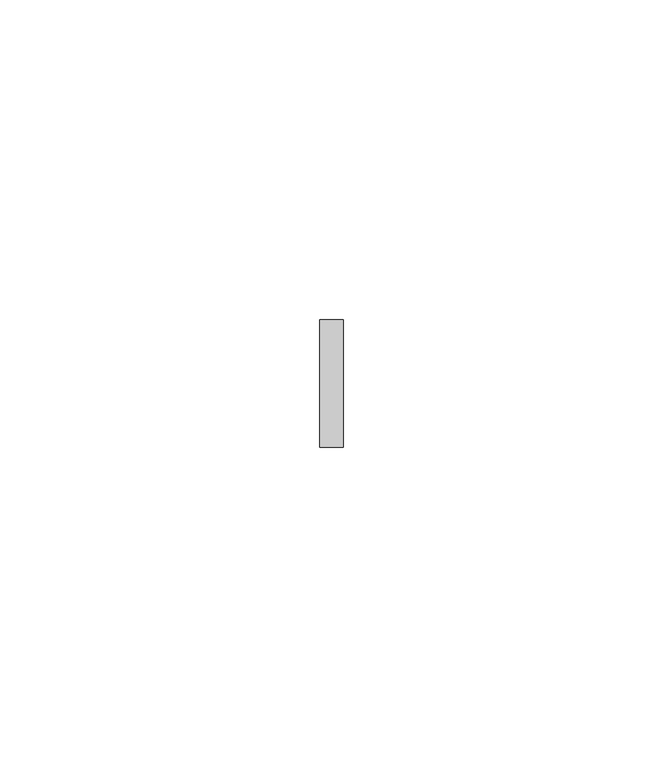
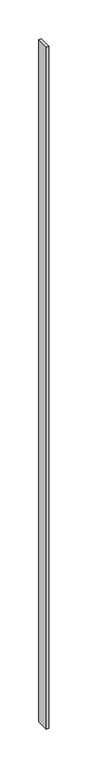
"""IFC4 building model written with IfcOpenShell, lengths in millimetres: plate geometry."""

from ifc_helpers import new_model, si_unit, origin, origin_with_axes, place, context, project, spatial, polyline, outline, extrude, source, transform, mapped, element, save


def plate_26724d61(model_context):
    return source(origin(), model_context, "Body", "SweptSolid", [
        extrude(outline(polyline([(1.8591202, 20.0), (-1.8591202, 20.0), (-1.8591202, 40.0), (1.8591202, 40.0), (1.8591202, 20.0)])), origin_with_axes(), (0.0, 0.0, 1.0), 1075.0),
    ])


if __name__ == "__main__":
    model = new_model("IFC4")
    model_context = context("Model", 3, world=origin())
    ifc_project = project(units=[si_unit("LENGTHUNIT", "METRE", prefix="MILLI")], contexts=[model_context])
    site = spatial("IfcSite", under=ifc_project)
    building = spatial("IfcBuilding", under=site)
    placement = place(None, origin())
    plate_shape = plate_26724d61(model_context)
    element("IfcPlate", 1, at=placement, inside=building, context=model_context, shape_type="MappedRepresentation", body=[
        mapped(plate_shape, transform((0.0, 0.0, 0.0), x_axis=(1.0, 0.0, 0.0), y_axis=(0.0, 1.0, 0.0), z_axis=(0.0, 0.0, 1.0))),
    ])
    save(model, "model.ifc")
